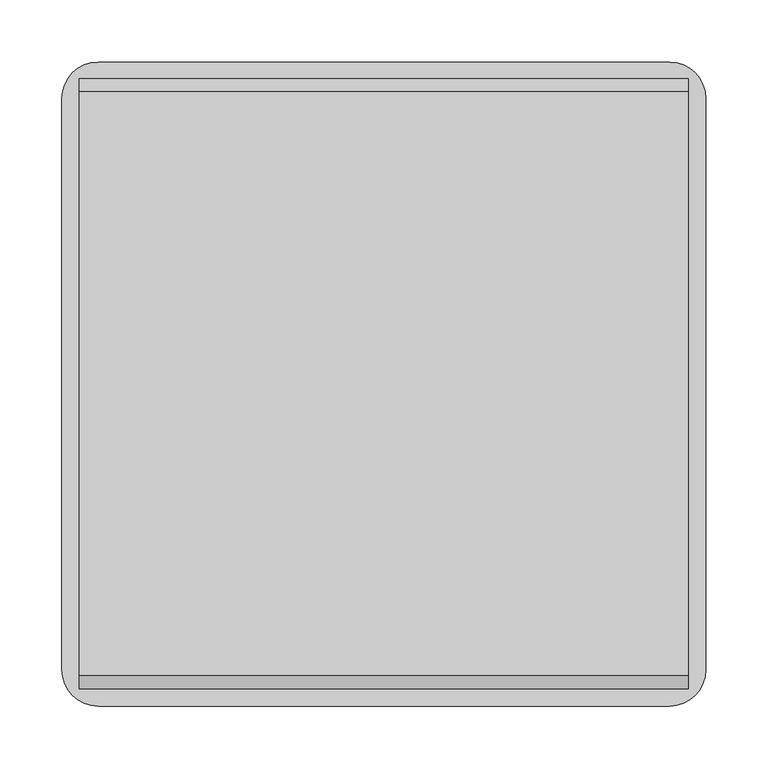
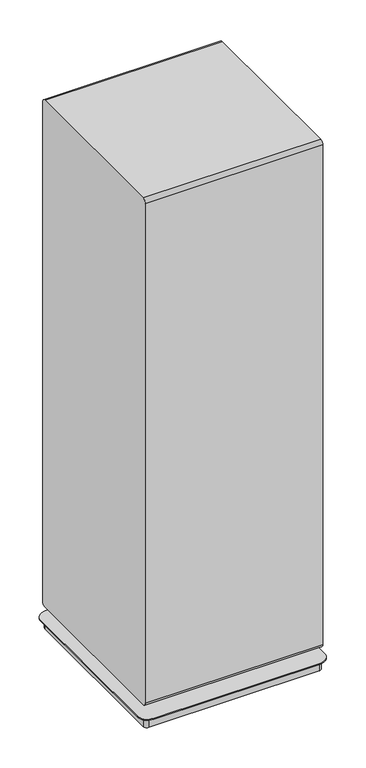
"""IFC4 building model written with IfcOpenShell, lengths in millimetres: furniture geometry."""

from ifc_helpers import new_model, si_unit, point, frame, frame_2d, origin, place, context, project, spatial, polyline, circle_curve, trimmed, segment, composite_curve, outline, extrude, source, transform, mapped, element, save
from ifc_brep_helpers import plane_surface, cylinder_surface, advanced_brep


def furniture_1e09452a(model_context):
    return source(origin(), model_context, "Body", "SolidModel", [
        extrude(outline(composite_curve([segment(polyline([(290.6410876, 1539.4161463), (290.6410876, 73.6296543)]), True, "CONTINUOUS"), segment(trimmed(circle_curve(frame_2d((281.0114376, 73.6296543)), 9.62965), [point((290.6410876, 73.6296543))], [point((281.0114376, 64.0000043))], False, "CARTESIAN"), True, "CONTINUOUS"), segment(polyline([(281.0114376, 64.0000043), (-192.1114376, 64.0000043)]), True, "CONTINUOUS"), segment(trimmed(circle_curve(frame_2d((-192.1114376, 73.6296543)), 9.62965), [point((-192.1114376, 64.0000043))], [point((-201.7410876, 73.6296543))], False, "CARTESIAN"), True, "CONTINUOUS"), segment(polyline([(-201.7410876, 73.6296543), (-201.7410876, 1539.4161463)]), True, "CONTINUOUS"), segment(trimmed(circle_curve(frame_2d((-191.2611401, 1539.4161463)), 10.4799474), [point((-201.7410876, 1539.4161463))], [point((-191.2611401, 1549.8960937))], False, "CARTESIAN"), True, "CONTINUOUS"), segment(polyline([(-191.2611401, 1549.8960937), (280.1611401, 1549.8960937)]), True, "CONTINUOUS"), segment(trimmed(circle_curve(frame_2d((280.1611401, 1539.4161463)), 10.4799474), [point((280.1611401, 1549.8960937))], [point((290.6410876, 1539.4161463))], False, "CARTESIAN"), True, "CONTINUOUS")], self_intersect=False)), frame((574.621703, 0.0, 0.0), z_axis=(1.0, 0.0, 0.0), x_axis=(0.0, 1.0, 0.0)), (0.0, 0.0, 1.0), 491.9054206),
        advanced_brep(
        [(1051.3572258, 304.403125, 33.0000002), (589.7738875, 304.403125, 33.0000002), (560.6212883, 275.2505257, 33.0000002), (560.6212883, -186.3328125, 33.0000002), (589.7916008, -215.503125, 33.0000002), (1051.3572258, -215.503125, 33.0000002), (1080.5275383, -186.3328125, 33.0000002), (1080.5275383, 275.2328125, 33.0000002), (660.5044457, 214.4034084, 33.0000002), (640.5808102, 214.4034084, 33.0000002), (1000.5680164, 214.4034084, 33.0000002), (980.6443808, 214.4034084, 33.0000002), (660.5044457, -125.5034084, 33.0000002), (640.5808102, -125.5034084, 33.0000002), (1000.5680164, -125.5034084, 33.0000002), (980.6443808, -125.5034084, 33.0000002), (1051.3572258, 304.403125, 30.0000016), (1080.5275383, 275.2328125, 30.0000016), (1080.5275383, -186.3328125, 30.0000016), (1051.3572258, -215.503125, 30.0000016), (589.7916008, -215.503125, 30.0000016), (560.6212883, -186.3328125, 30.0000016), (560.6212883, 275.2505257, 30.0000016), (589.7738875, 304.403125, 30.0000016), (584.1152247, 290.4742373, 30.0000016), (574.7886622, 281.1476748, 30.0000016), (574.7886622, -191.8652105, 30.0000016), (584.1152247, -201.191773, 30.0000016), (1057.1281646, -201.191773, 30.0000016), (1066.4547271, -191.8652105, 30.0000016), (1066.4547271, 281.1066599, 30.0000016), (1057.0871496, 290.4742373, 30.0000016), (584.1152247, 290.4742373, 0.0), (1057.0871496, 290.4742373, 0.0), (1066.4547271, 281.1066599, 0.0), (1066.4547271, -191.8652105, 0.0), (1057.1281646, -201.191773, 0.0), (584.1152247, -201.191773, 0.0), (574.7886622, -191.8652105, 0.0), (574.7886622, 281.1476748, 0.0), (640.5808102, 214.4034084, 64.0000043), (660.5044457, 214.4034084, 64.0000043), (980.6443808, 214.4034084, 64.0000043), (1000.5680164, 214.4034084, 64.0000043), (640.5808102, -125.5034084, 64.0000043), (660.5044457, -125.5034084, 64.0000043), (980.6443808, -125.5034084, 64.0000043), (1000.5680164, -125.5034084, 64.0000043)],
        [
            (0, 1),
            (1, 2, circle_curve(frame((589.7738875, 275.2505257, 33.0000002), z_axis=(0.0, 0.0, 1.0), x_axis=(1.0, 0.0, 0.0)), 29.1525993)),
            (2, 3),
            (3, 4, circle_curve(frame((589.7916008, -186.3328125, 33.0000002), z_axis=(0.0, 0.0, 1.0), x_axis=(1.0, 0.0, 0.0)), 29.1703125)),
            (4, 5),
            (5, 6, circle_curve(frame((1051.3572258, -186.3328125, 33.0000002), z_axis=(0.0, 0.0, 1.0), x_axis=(1.0, 0.0, 0.0)), 29.1703125)),
            (6, 7),
            (7, 0, circle_curve(frame((1051.3572258, 275.2328125, 33.0000002), z_axis=(0.0, 0.0, 1.0), x_axis=(1.0, 0.0, 0.0)), 29.1703125)),
            (8, 9, circle_curve(frame((650.5426279, 214.4034084, 33.0000002), z_axis=(0.0, 0.0, -1.0), x_axis=(1.0, 0.0, 0.0)), 9.9618178)),
            (9, 8, circle_curve(frame((650.5426279, 214.4034084, 33.0000002), z_axis=(0.0, 0.0, -1.0), x_axis=(1.0, 0.0, 0.0)), 9.9618178)),
            (10, 11, circle_curve(frame((990.6061986, 214.4034084, 33.0000002), z_axis=(0.0, 0.0, -1.0), x_axis=(1.0, 0.0, 0.0)), 9.9618178)),
            (11, 10, circle_curve(frame((990.6061986, 214.4034084, 33.0000002), z_axis=(0.0, 0.0, -1.0), x_axis=(1.0, 0.0, 0.0)), 9.9618178)),
            (12, 13, circle_curve(frame((650.5426279, -125.5034084, 33.0000002), z_axis=(0.0, 0.0, -1.0), x_axis=(1.0, 0.0, 0.0)), 9.9618178)),
            (13, 12, circle_curve(frame((650.5426279, -125.5034084, 33.0000002), z_axis=(0.0, 0.0, -1.0), x_axis=(1.0, 0.0, 0.0)), 9.9618178)),
            (14, 15, circle_curve(frame((990.6061986, -125.5034084, 33.0000002), z_axis=(0.0, 0.0, -1.0), x_axis=(1.0, 0.0, 0.0)), 9.9618178)),
            (15, 14, circle_curve(frame((990.6061986, -125.5034084, 33.0000002), z_axis=(0.0, 0.0, -1.0), x_axis=(1.0, 0.0, 0.0)), 9.9618178)),
            (16, 17, circle_curve(frame((1051.3572258, 275.2328125, 30.0000016), z_axis=(0.0, 0.0, -1.0), x_axis=(1.0, 0.0, 0.0)), 29.1703125)),
            (17, 18),
            (18, 19, circle_curve(frame((1051.3572258, -186.3328125, 30.0000016), z_axis=(0.0, 0.0, -1.0), x_axis=(1.0, 0.0, 0.0)), 29.1703125)),
            (19, 20),
            (20, 21, circle_curve(frame((589.7916008, -186.3328125, 30.0000016), z_axis=(0.0, 0.0, -1.0), x_axis=(1.0, 0.0, 0.0)), 29.1703125)),
            (21, 22),
            (22, 23, circle_curve(frame((589.7738875, 275.2505257, 30.0000016), z_axis=(0.0, 0.0, -1.0), x_axis=(1.0, 0.0, 0.0)), 29.1525993)),
            (23, 16),
            (24, 25, circle_curve(frame((584.1152247, 281.1476748, 30.0000016), z_axis=(0.0, 0.0, 1.0), x_axis=(1.0, 0.0, 0.0)), 9.3265625)),
            (25, 26),
            (26, 27, circle_curve(frame((584.1152247, -191.8652105, 30.0000016), z_axis=(0.0, 0.0, 1.0), x_axis=(1.0, 0.0, 0.0)), 9.3265625)),
            (27, 28),
            (28, 29, circle_curve(frame((1057.1281646, -191.8652105, 30.0000016), z_axis=(0.0, 0.0, 1.0), x_axis=(1.0, 0.0, 0.0)), 9.3265625)),
            (29, 30),
            (30, 31, circle_curve(frame((1057.0871496, 281.1066599, 30.0000016), z_axis=(0.0, 0.0, 1.0), x_axis=(1.0, 0.0, 0.0)), 9.3675774)),
            (31, 24),
            (32, 33),
            (33, 34, circle_curve(frame((1057.0871496, 281.1066599, 0.0), z_axis=(0.0, 0.0, -1.0), x_axis=(1.0, 0.0, 0.0)), 9.3675774)),
            (34, 35),
            (35, 36, circle_curve(frame((1057.1281646, -191.8652105, 0.0), z_axis=(0.0, 0.0, -1.0), x_axis=(1.0, 0.0, 0.0)), 9.3265625)),
            (36, 37),
            (37, 38, circle_curve(frame((584.1152247, -191.8652105, 0.0), z_axis=(0.0, 0.0, -1.0), x_axis=(1.0, 0.0, 0.0)), 9.3265625)),
            (38, 39),
            (39, 32, circle_curve(frame((584.1152247, 281.1476748, 0.0), z_axis=(0.0, 0.0, -1.0), x_axis=(1.0, 0.0, 0.0)), 9.3265625)),
            (40, 41, circle_curve(frame((650.5426279, 214.4034084, 64.0000043), z_axis=(0.0, 0.0, 1.0), x_axis=(1.0, 0.0, 0.0)), 9.9618178)),
            (41, 40, circle_curve(frame((650.5426279, 214.4034084, 64.0000043), z_axis=(0.0, 0.0, 1.0), x_axis=(1.0, 0.0, 0.0)), 9.9618178)),
            (42, 43, circle_curve(frame((990.6061986, 214.4034084, 64.0000043), z_axis=(0.0, 0.0, 1.0), x_axis=(1.0, 0.0, 0.0)), 9.9618178)),
            (43, 42, circle_curve(frame((990.6061986, 214.4034084, 64.0000043), z_axis=(0.0, 0.0, 1.0), x_axis=(1.0, 0.0, 0.0)), 9.9618178)),
            (44, 45, circle_curve(frame((650.5426279, -125.5034084, 64.0000043), z_axis=(0.0, 0.0, 1.0), x_axis=(1.0, 0.0, 0.0)), 9.9618178)),
            (45, 44, circle_curve(frame((650.5426279, -125.5034084, 64.0000043), z_axis=(0.0, 0.0, 1.0), x_axis=(1.0, 0.0, 0.0)), 9.9618178)),
            (46, 47, circle_curve(frame((990.6061986, -125.5034084, 64.0000043), z_axis=(0.0, 0.0, 1.0), x_axis=(1.0, 0.0, 0.0)), 9.9618178)),
            (47, 46, circle_curve(frame((990.6061986, -125.5034084, 64.0000043), z_axis=(0.0, 0.0, 1.0), x_axis=(1.0, 0.0, 0.0)), 9.9618178)),
            (0, 16),
            (23, 1),
            (22, 2),
            (21, 3),
            (20, 4),
            (19, 5),
            (18, 6),
            (17, 7),
            (39, 25),
            (24, 32),
            (38, 26),
            (37, 27),
            (36, 28),
            (35, 29),
            (34, 30),
            (33, 31),
            (40, 9),
            (8, 41),
            (42, 11),
            (10, 43),
            (44, 13),
            (12, 45),
            (46, 15),
            (14, 47),
        ],
        [
            plane_surface(frame((-535.8236186, 304.403125, 33.0000002), z_axis=(0.0, 0.0, 1.0), x_axis=(-1.0, 0.0, 0.0))),
            plane_surface(frame((-535.8236186, 304.403125, 30.0000016), z_axis=(0.0, 0.0, -1.0), x_axis=(1.0, 0.0, 0.0))),
            plane_surface(frame((593.4417872, 281.1476748, 0.0), z_axis=(0.0, 0.0, -1.0), x_axis=(0.0, -1.0, 0.0))),
            plane_surface(frame((660.5044457, 214.4034084, 64.0000043), z_axis=(0.0, 0.0, 1.0), x_axis=(0.0, 1.0, 0.0))),
            plane_surface(frame((1051.3572258, 304.403125, 33.0000002), z_axis=(0.0, 1.0, 0.0), x_axis=(0.0, 0.0, -1.0))),
            cylinder_surface(frame((589.7738875, 275.2505257, 30.0000016), z_axis=(0.0, 0.0, 1.0), x_axis=(1.0, 0.0, 0.0)), 29.1525993),
            plane_surface(frame((560.6212883, 275.2505257, 33.0000002), z_axis=(-1.0, 0.0, 0.0), x_axis=(0.0, 0.0, -1.0))),
            cylinder_surface(frame((589.7916008, -186.3328125, 30.0000016), z_axis=(0.0, 0.0, 1.0), x_axis=(1.0, 0.0, 0.0)), 29.1703125),
            plane_surface(frame((589.7916008, -215.503125, 33.0000002), z_axis=(0.0, -1.0, 0.0), x_axis=(0.0, 0.0, -1.0))),
            cylinder_surface(frame((1051.3572258, -186.3328125, 30.0000016), z_axis=(0.0, 0.0, 1.0), x_axis=(1.0, 0.0, 0.0)), 29.1703125),
            plane_surface(frame((1080.5275383, -186.3328125, 33.0000002), z_axis=(1.0, 0.0, 0.0), x_axis=(0.0, 0.0, -1.0))),
            cylinder_surface(frame((1051.3572258, 275.2328125, 30.0000016), z_axis=(0.0, 0.0, 1.0), x_axis=(1.0, 0.0, 0.0)), 29.1703125),
            cylinder_surface(frame((584.1152247, 281.1476748, 0.0), z_axis=(0.0, 0.0, 1.0), x_axis=(1.0, 0.0, 0.0)), 9.3265625),
            plane_surface(frame((574.7886622, 281.1476748, 30.0000016), z_axis=(-1.0, 0.0, 0.0), x_axis=(0.0, 0.0, -1.0))),
            cylinder_surface(frame((584.1152247, -191.8652105, 0.0), z_axis=(0.0, 0.0, 1.0), x_axis=(1.0, 0.0, 0.0)), 9.3265625),
            plane_surface(frame((584.1152247, -201.191773, 30.0000016), z_axis=(0.0, -1.0, 0.0), x_axis=(0.0, 0.0, -1.0))),
            cylinder_surface(frame((1057.1281646, -191.8652105, 0.0), z_axis=(0.0, 0.0, 1.0), x_axis=(1.0, 0.0, 0.0)), 9.3265625),
            plane_surface(frame((1066.4547271, -191.8652105, 30.0000016), z_axis=(1.0, 0.0, 0.0), x_axis=(0.0, 0.0, -1.0))),
            cylinder_surface(frame((1057.0871496, 281.1066599, 0.0), z_axis=(0.0, 0.0, 1.0), x_axis=(1.0, 0.0, 0.0)), 9.3675774),
            plane_surface(frame((1057.0871496, 290.4742373, 30.0000016), z_axis=(0.0, 1.0, 0.0), x_axis=(0.0, 0.0, -1.0))),
            cylinder_surface(frame((650.5426279, 214.4034084, 33.0000002), z_axis=(0.0, 0.0, 1.0), x_axis=(1.0, 0.0, 0.0)), 9.9618178),
            cylinder_surface(frame((990.6061986, 214.4034084, 0.0), z_axis=(0.0, 0.0, 1.0), x_axis=(1.0, 0.0, 0.0)), 9.9618178),
            cylinder_surface(frame((650.5426279, -125.5034084, 0.0), z_axis=(0.0, 0.0, 1.0), x_axis=(1.0, 0.0, 0.0)), 9.9618178),
            cylinder_surface(frame((990.6061986, -125.5034084, 0.0), z_axis=(0.0, 0.0, 1.0), x_axis=(1.0, 0.0, 0.0)), 9.9618178),
        ],
        [
            (0, [[1, 2, 3, 4, 5, 6, 7, 8], [9, 10], [11, 12], [13, 14], [15, 16]]),
            (1, [[17, 18, 19, 20, 21, 22, 23, 24], [25, 26, 27, 28, 29, 30, 31, 32]]),
            (2, [[33, 34, 35, 36, 37, 38, 39, 40]]),
            (3, [[41, 42]]),
            (3, [[43, 44]]),
            (3, [[45, 46]]),
            (3, [[47, 48]]),
            (4, [[-1, 49, -24, 50]]),
            (5, [[-2, -50, -23, 51]]),
            (6, [[-3, -51, -22, 52]]),
            (7, [[-4, -52, -21, 53]]),
            (8, [[-5, -53, -20, 54]]),
            (9, [[-6, -54, -19, 55]]),
            (10, [[-7, -55, -18, 56]]),
            (11, [[-8, -56, -17, -49]]),
            (12, [[-40, 57, -25, 58]]),
            (13, [[-39, 59, -26, -57]]),
            (14, [[-38, 60, -27, -59]]),
            (15, [[-37, 61, -28, -60]]),
            (16, [[-36, 62, -29, -61]]),
            (17, [[-35, 63, -30, -62]]),
            (18, [[-34, 64, -31, -63]]),
            (19, [[-33, -58, -32, -64]]),
            (20, [[-41, 65, -9, 66]]),
            (20, [[-42, -66, -10, -65]]),
            (21, [[-43, 67, -11, 68]]),
            (21, [[-44, -68, -12, -67]]),
            (22, [[-45, 69, -13, 70]]),
            (22, [[-46, -70, -14, -69]]),
            (23, [[-47, 71, -15, 72]]),
            (23, [[-48, -72, -16, -71]]),
        ],
    ),
    ])


if __name__ == "__main__":
    model = new_model("IFC4")
    model_context = context("Model", 3, world=origin())
    ifc_project = project(units=[si_unit("LENGTHUNIT", "METRE", prefix="MILLI")], contexts=[model_context])
    site = spatial("IfcSite", under=ifc_project)
    building = spatial("IfcBuilding", under=site)
    placement = place(None, origin())
    furniture_shape = furniture_1e09452a(model_context)
    element("IfcFurniture", 1, at=placement, inside=building, context=model_context, shape_type="MappedRepresentation", body=[
        mapped(furniture_shape, transform((0.0, 0.0, 0.0), x_axis=(1.0, 0.0, 0.0), y_axis=(0.0, 1.0, 0.0), z_axis=(0.0, 0.0, 1.0))),
    ])
    save(model, "model.ifc")
